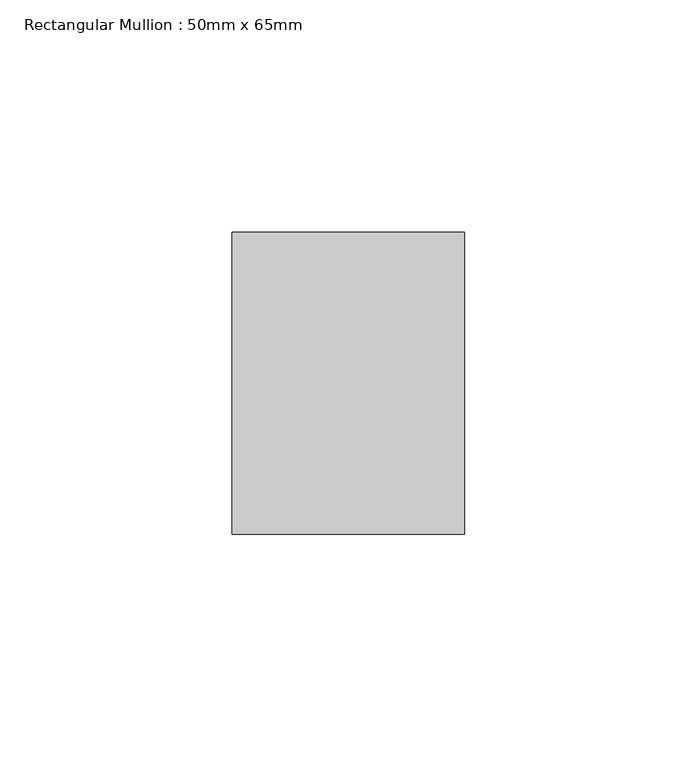
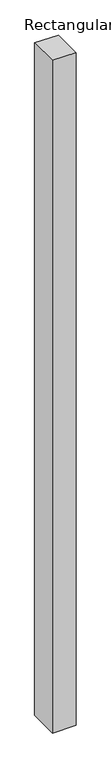
"""IFC4 building model written with IfcOpenShell, lengths in millimetres: member geometry, Rectangular Mullion : 50mm x 65mm."""

from ifc_helpers import new_model, si_unit, origin, place, context, project, spatial, faceted_brep, source, transform, mapped, element, save


def rectangular_mullion_50mm_x_65mm_5b5a17a4(model_context):
    return source(origin(), model_context, "Body", "Brep", [
        faceted_brep([(-25.0, 32.5, -0.2027388), (25.0, 32.5, -0.2027375), (25.0, 32.5, -1499.8926836), (-25.0, 32.5, -1499.8926829), (-25.0, -32.5, 0.2027375), (-25.0, -32.5, -1500.1073441), (25.0, -32.5, 0.2027388), (25.0, -32.5, -1500.1073447)], [[[0, 1, 2, 3]], [[4, 0, 3, 5]], [[6, 4, 5, 7]], [[1, 6, 7, 2]], [[1, 0, 4, 6]], [[2, 7, 5, 3]]]),
    ])


if __name__ == "__main__":
    model = new_model("IFC4")
    model_context = context("Model", 3, world=origin())
    ifc_project = project(units=[si_unit("LENGTHUNIT", "METRE", prefix="MILLI")], contexts=[model_context])
    site = spatial("IfcSite", under=ifc_project)
    building = spatial("IfcBuilding", under=site)
    placement = place(None, origin())
    rectangular_mullion_50mm_x_65mm_shape = rectangular_mullion_50mm_x_65mm_5b5a17a4(model_context)
    element("IfcMember", 1, ObjectType="Rectangular Mullion : 50mm x 65mm", at=placement, inside=building, context=model_context, shape_type="MappedRepresentation", body=[
        mapped(rectangular_mullion_50mm_x_65mm_shape, transform((0.0, 0.0, 0.0), x_axis=(1.0, 0.0, 0.0), y_axis=(0.0, 1.0, 0.0), z_axis=(0.0, 0.0, 1.0))),
    ])
    save(model, "model.ifc")
